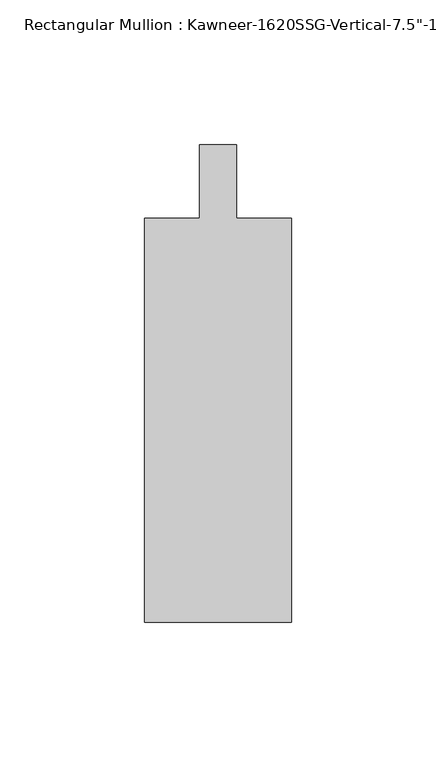
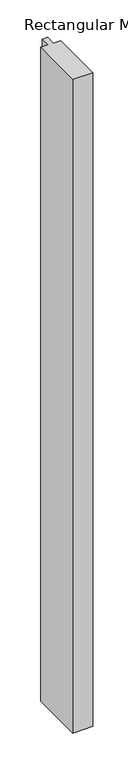
"""IFC4 building model written with IfcOpenShell, lengths in millimetres: member geometry."""

from ifc_helpers import new_model, si_unit, frame, origin, place, context, project, spatial, polyline, outline, extrude, source, transform, mapped, element, save


def member_51f100de(model_context):
    return source(origin(), model_context, "Body", "SweptSolid", [
        extrude(outline(polyline([(25.4, -152.4), (-25.4, -152.4), (-25.4, -12.7), (-6.35, -12.7), (-6.35, 12.7), (6.35, 12.7), (6.35, -12.7), (25.4, -12.7), (25.4, -152.4)])), frame((0.0, 0.0, -1739.9), z_axis=(0.0, 0.0, 1.0), x_axis=(1.0, 0.0, 0.0)), (0.0, 0.0, 1.0), 1739.9),
    ])


if __name__ == "__main__":
    model = new_model("IFC4")
    model_context = context("Model", 3, world=origin())
    ifc_project = project(units=[si_unit("LENGTHUNIT", "METRE", prefix="MILLI")], contexts=[model_context])
    site = spatial("IfcSite", under=ifc_project)
    building = spatial("IfcBuilding", under=site)
    placement = place(None, origin())
    member_shape = member_51f100de(model_context)
    element("IfcMember", 1, ObjectType="Rectangular Mullion : Kawneer-1620SSG-Vertical-7.5\"-1\"Infill-Standard", at=placement, inside=building, context=model_context, shape_type="MappedRepresentation", body=[
        mapped(member_shape, transform((0.0, 0.0, 0.0), x_axis=(1.0, 0.0, 0.0), y_axis=(0.0, 1.0, 0.0), z_axis=(0.0, 0.0, 1.0))),
    ])
    save(model, "model.ifc")
